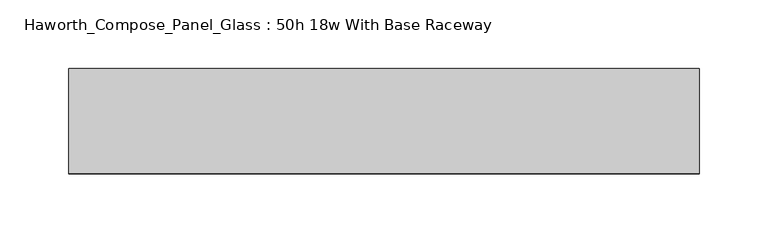
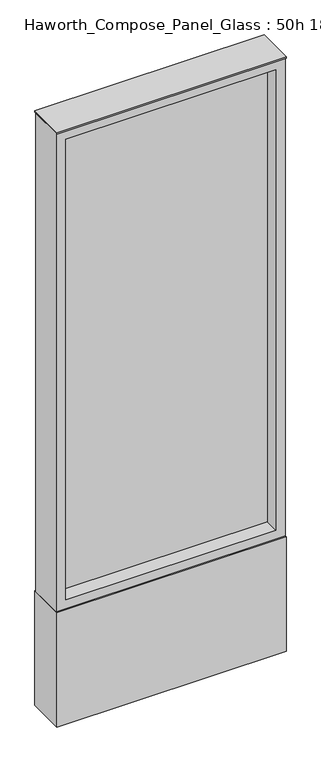
"""IFC4 building model written with IfcOpenShell, lengths in millimetres: furniture geometry, Haworth_Compose_Panel_Glass : 50h 18w With Base Raceway."""

from ifc_helpers import new_model, si_unit, point, frame, frame_2d, origin, origin_with_axes, place, context, project, spatial, polyline, circle_curve, trimmed, segment, composite_curve, outline, extrude, source, transform, mapped, element, save


def haworth_compose_panel_glass_50h_18w_with_base_raceway_5b65ec07(model_context):
    return source(origin(), model_context, "Body", "SweptSolid", [
        extrude(outline(composite_curve([segment(trimmed(circle_curve(frame_2d((154.8402902, 0.0)), 12.7), [point((142.1402902, 0.0))], [point((167.5402902, 0.0))], False, "CARTESIAN"), True, "CONTINUOUS"), segment(trimmed(circle_curve(frame_2d((154.8402902, 0.0)), 12.7), [point((167.5402902, 0.0))], [point((142.1402902, 0.0))], False, "CARTESIAN"), True, "CONTINUOUS")], self_intersect=False)), origin_with_axes(), (0.0, 0.0, 1.0), 12.7),
        extrude(outline(composite_curve([segment(trimmed(circle_curve(frame_2d((-149.9597098, 0.0)), 12.7), [point((-162.6597098, 0.0))], [point((-137.2597098, 0.0))], False, "CARTESIAN"), True, "CONTINUOUS"), segment(trimmed(circle_curve(frame_2d((-149.9597098, 0.0)), 12.7), [point((-137.2597098, 0.0))], [point((-162.6597098, 0.0))], False, "CARTESIAN"), True, "CONTINUOUS")], self_intersect=False)), origin_with_axes(), (0.0, 0.0, 1.0), 12.7),
        extrude(outline(polyline([(211.9902902, -6.35), (-207.1097098, -6.35), (-207.1097098, 6.35), (211.9902902, 6.35), (211.9902902, -6.35)])), frame((0.0, 0.0, 273.05), z_axis=(0.0, 0.0, 1.0), x_axis=(1.0, 0.0, 0.0)), (0.0, 0.0, 1.0), 971.55),
        extrude(outline(polyline([(1263.65, -226.1597098), (254.0, -226.1597098), (254.0, 231.0402902), (1263.65, 231.0402902), (1263.65, -226.1597098)]), holes=[polyline([(1244.6, 211.9902902), (273.05, 211.9902902), (273.05, -207.1097098), (1244.6, -207.1097098), (1244.6, 211.9902902)])]), frame((0.0, -34.925, 0.0), z_axis=(0.0, 1.0, 0.0), x_axis=(0.0, 0.0, 1.0)), (0.0, 0.0, 1.0), 69.85),
        extrude(outline(polyline([(-226.1597098, 38.1), (231.0402902, 38.1), (231.0402902, -38.1), (-226.1597098, -38.1), (-226.1597098, 38.1)])), frame((0.0, 0.0, 12.7), z_axis=(0.0, 0.0, 1.0), x_axis=(1.0, 0.0, 0.0)), (0.0, 0.0, 1.0), 241.3),
        extrude(outline(polyline([(-226.1597098, -38.1), (-226.1597098, 38.1), (231.0402902, 38.1), (231.0402902, -38.1), (-226.1597098, -38.1)])), frame((0.0, 0.0, 1263.65), z_axis=(0.0, 0.0, 1.0), x_axis=(1.0, 0.0, 0.0)), (0.0, 0.0, 1.0), 3.175),
    ])


if __name__ == "__main__":
    model = new_model("IFC4")
    model_context = context("Model", 3, world=origin())
    ifc_project = project(units=[si_unit("LENGTHUNIT", "METRE", prefix="MILLI")], contexts=[model_context])
    site = spatial("IfcSite", under=ifc_project)
    building = spatial("IfcBuilding", under=site)
    placement = place(None, origin())
    haworth_compose_panel_glass_50h_18w_with_base_raceway_shape = haworth_compose_panel_glass_50h_18w_with_base_raceway_5b65ec07(model_context)
    element("IfcFurniture", 1, ObjectType="Haworth_Compose_Panel_Glass : 50h 18w With Base Raceway", at=placement, inside=building, context=model_context, shape_type="MappedRepresentation", body=[
        mapped(haworth_compose_panel_glass_50h_18w_with_base_raceway_shape, transform((0.0, 0.0, 0.0), x_axis=(1.0, 0.0, 0.0), y_axis=(0.0, 1.0, 0.0), z_axis=(0.0, 0.0, 1.0))),
    ])
    save(model, "model.ifc")
